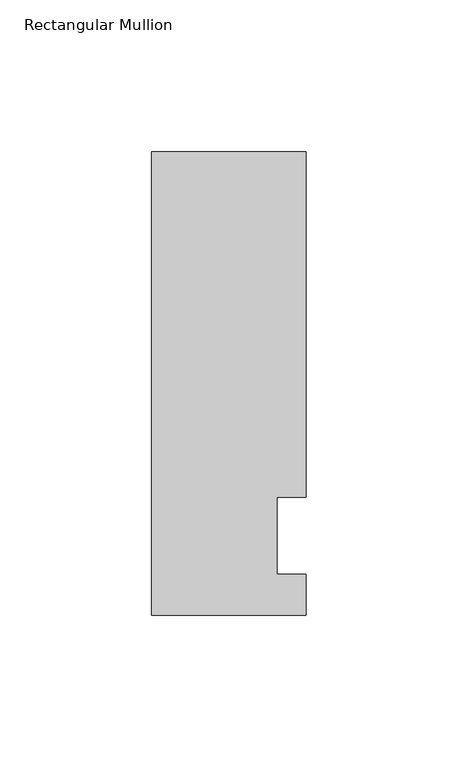
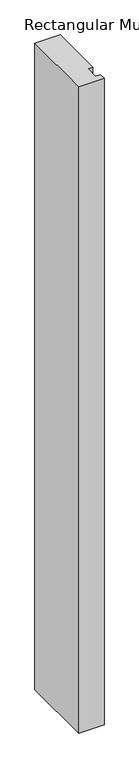
"""IFC4 building model written with IfcOpenShell, lengths in millimetres: member geometry, Rectangular Mullion."""

from ifc_helpers import new_model, si_unit, frame, origin, place, context, project, spatial, polyline, outline, extrude, source, transform, mapped, element, save


def rectangular_mullion_4d3751e8(model_context):
    return source(origin(), model_context, "Body", "SweptSolid", [
        extrude(outline(polyline([(-25.4, -26.19375), (-25.4, 126.20625), (25.4, 126.20625), (25.4, 12.7), (15.875, 12.7), (15.875, -12.7), (25.4, -12.7), (25.4, -26.19375), (-25.4, -26.19375)])), frame((0.0, 0.0, -1371.6), z_axis=(0.0, 0.0, 1.0), x_axis=(1.0, 0.0, 0.0)), (0.0, 0.0, 1.0), 1371.6),
    ])


if __name__ == "__main__":
    model = new_model("IFC4")
    model_context = context("Model", 3, world=origin())
    ifc_project = project(units=[si_unit("LENGTHUNIT", "METRE", prefix="MILLI")], contexts=[model_context])
    site = spatial("IfcSite", under=ifc_project)
    building = spatial("IfcBuilding", under=site)
    placement = place(None, origin())
    rectangular_mullion_shape = rectangular_mullion_4d3751e8(model_context)
    element("IfcMember", 1, ObjectType="Rectangular Mullion", at=placement, inside=building, context=model_context, shape_type="MappedRepresentation", body=[
        mapped(rectangular_mullion_shape, transform((0.0, 0.0, 0.0), x_axis=(1.0, 0.0, 0.0), y_axis=(0.0, 1.0, 0.0), z_axis=(0.0, 0.0, 1.0))),
    ])
    save(model, "model.ifc")
